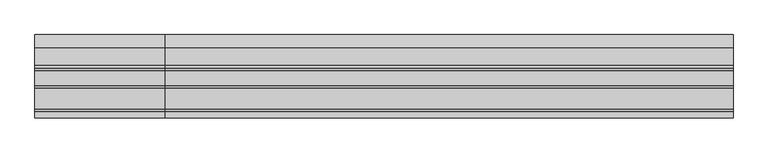
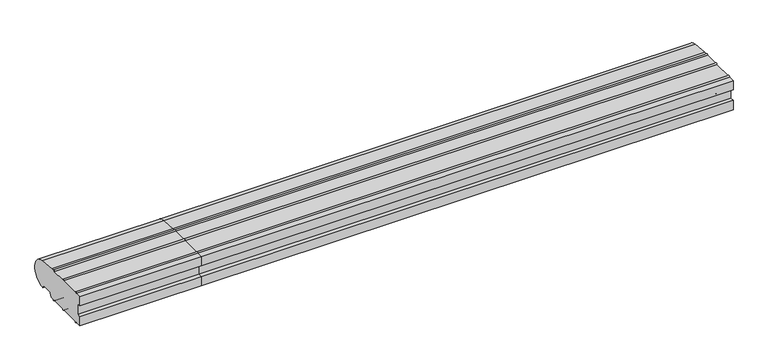
"""IFC4 building model written with IfcOpenShell, lengths in millimetres: proxy geometry."""

from ifc_helpers import new_model, si_unit, point, frame, frame_2d, origin, place, context, project, spatial, polyline, circle_curve, trimmed, segment, composite_curve, outline, extrude, source, transform, mapped, element, save


def generic_models_96288aed(model_context):
    return source(origin(), model_context, "Body", "SweptSolid", [
        extrude(outline(composite_curve([segment(trimmed(circle_curve(frame_2d((26.5732255, 3.5071443)), 1.0), [point((26.5981483, 2.5074549))], [point((25.7072001, 3.0071443))], False, "CARTESIAN"), True, "CONTINUOUS"), segment(polyline([(25.7072001, 3.0071443), (23.6905989, 6.5)]), True, "CONTINUOUS"), segment(trimmed(circle_curve(frame_2d((21.9585481, 5.5)), 2.0), [point((23.6905989, 6.5))], [point((21.9585481, 7.5))], True, "CARTESIAN"), True, "CONTINUOUS"), segment(polyline([(21.9585481, 7.5), (5.4848276, 7.5)]), True, "CONTINUOUS"), segment(trimmed(circle_curve(frame_2d((5.4848276, 5.5)), 2.0), [point((5.4848276, 7.5))], [point((3.7527767, 6.5))], True, "CARTESIAN"), True, "CONTINUOUS"), segment(polyline([(3.7527767, 6.5), (0.2886751, 0.5)]), True, "CONTINUOUS"), segment(trimmed(circle_curve(frame_2d((-0.5773503, 1.0)), 1.0), [point((0.2886751, 0.5))], [point((-0.5773503, 0.0))], False, "CARTESIAN"), True, "CONTINUOUS"), segment(polyline([(-0.5773503, 0.0), (-5.0, 0.0)]), True, "CONTINUOUS"), segment(trimmed(circle_curve(frame_2d((-6.75, 0.0)), 1.75), [point((-5.0, 0.0))], [point((-8.5, 0.0))], False, "CARTESIAN"), True, "CONTINUOUS"), segment(polyline([(-8.5, 0.0), (-33.0, 0.0)]), True, "CONTINUOUS"), segment(trimmed(circle_curve(frame_2d((-34.75, 0.0)), 1.75), [point((-33.0, 0.0))], [point((-36.5, 0.0))], False, "CARTESIAN"), True, "CONTINUOUS"), segment(polyline([(-36.5, 0.0), (-71.0, 0.0)]), True, "CONTINUOUS"), segment(trimmed(circle_curve(frame_2d((-72.75, 0.0)), 1.75), [point((-71.0, 0.0))], [point((-74.5, 0.0))], False, "CARTESIAN"), True, "CONTINUOUS"), segment(polyline([(-74.5, 0.0), (-85.0, 0.0), (-85.0, 16.5), (-78.0, 16.5), (-78.0, 36.5), (-85.0, 36.5), (-85.0, 52.8593609), (-74.5, 52.8593609)]), True, "CONTINUOUS"), segment(trimmed(circle_curve(frame_2d((-72.75, 52.8593609)), 1.75), [point((-74.5, 52.8593609))], [point((-71.0, 52.8593609))], False, "CARTESIAN"), True, "CONTINUOUS"), segment(polyline([(-71.0, 52.8593609), (-36.5, 52.8593609)]), True, "CONTINUOUS"), segment(trimmed(circle_curve(frame_2d((-34.75, 52.8593609)), 1.75), [point((-36.5, 52.8593609))], [point((-33.0, 52.8593609))], False, "CARTESIAN"), True, "CONTINUOUS"), segment(polyline([(-33.0, 52.8593609), (-8.5, 52.8593609)]), True, "CONTINUOUS"), segment(trimmed(circle_curve(frame_2d((-6.75, 52.8593609)), 1.75), [point((-8.5, 52.8593609))], [point((-5.0, 52.8593609))], False, "CARTESIAN"), True, "CONTINUOUS"), segment(polyline([(-5.0, 52.8593609), (0.0, 52.8593609), (28.0858073, 50.4091909)]), True, "CONTINUOUS"), segment(trimmed(circle_curve(frame_2d((26.0, 26.5)), 24.0), [point((28.0858073, 50.4091909))], [point((26.5981483, 2.5074549))], False, "CARTESIAN"), True, "CONTINUOUS")], self_intersect=False)), frame((-210.0, 0.0, 0.0), z_axis=(1.0, 0.0, 0.0), x_axis=(0.0, 1.0, 0.0)), (0.0, 0.0, 1.0), 210.0),
        extrude(outline(composite_curve([segment(trimmed(circle_curve(frame_2d((26.5732255, 3.5071443)), 1.0), [point((26.5981483, 2.5074549))], [point((25.7072001, 3.0071443))], False, "CARTESIAN"), True, "CONTINUOUS"), segment(polyline([(25.7072001, 3.0071443), (23.6905989, 6.5)]), True, "CONTINUOUS"), segment(trimmed(circle_curve(frame_2d((21.9585481, 5.5)), 2.0), [point((23.6905989, 6.5))], [point((21.9585481, 7.5))], True, "CARTESIAN"), True, "CONTINUOUS"), segment(polyline([(21.9585481, 7.5), (5.4848276, 7.5)]), True, "CONTINUOUS"), segment(trimmed(circle_curve(frame_2d((5.4848276, 5.5)), 2.0), [point((5.4848276, 7.5))], [point((3.7527767, 6.5))], True, "CARTESIAN"), True, "CONTINUOUS"), segment(polyline([(3.7527767, 6.5), (0.2886751, 0.5)]), True, "CONTINUOUS"), segment(trimmed(circle_curve(frame_2d((-0.5773503, 1.0)), 1.0), [point((0.2886751, 0.5))], [point((-0.5773503, 0.0))], False, "CARTESIAN"), True, "CONTINUOUS"), segment(polyline([(-0.5773503, 0.0), (-5.0, 0.0)]), True, "CONTINUOUS"), segment(trimmed(circle_curve(frame_2d((-6.75, 0.0)), 1.75), [point((-5.0, 0.0))], [point((-8.5, 0.0))], False, "CARTESIAN"), True, "CONTINUOUS"), segment(polyline([(-8.5, 0.0), (-33.0, 0.0)]), True, "CONTINUOUS"), segment(trimmed(circle_curve(frame_2d((-34.75, 0.0)), 1.75), [point((-33.0, 0.0))], [point((-36.5, 0.0))], False, "CARTESIAN"), True, "CONTINUOUS"), segment(polyline([(-36.5, 0.0), (-71.0, 0.0)]), True, "CONTINUOUS"), segment(trimmed(circle_curve(frame_2d((-72.75, 0.0)), 1.75), [point((-71.0, 0.0))], [point((-74.5, 0.0))], False, "CARTESIAN"), True, "CONTINUOUS"), segment(polyline([(-74.5, 0.0), (-85.0, 0.0), (-85.0, 16.5), (-78.0, 16.5), (-78.0, 36.5), (-85.0, 36.5), (-85.0, 52.8558627), (-74.5, 52.8558627)]), True, "CONTINUOUS"), segment(trimmed(circle_curve(frame_2d((-72.75, 52.8558627)), 1.75), [point((-74.5, 52.8558627))], [point((-71.0, 52.8558627))], False, "CARTESIAN"), True, "CONTINUOUS"), segment(polyline([(-71.0, 52.8558627), (-36.5, 52.8558627)]), True, "CONTINUOUS"), segment(trimmed(circle_curve(frame_2d((-34.75, 52.8558627)), 1.75), [point((-36.5, 52.8558627))], [point((-33.0, 52.8558627))], False, "CARTESIAN"), True, "CONTINUOUS"), segment(polyline([(-33.0, 52.8558627), (-8.5, 52.8558627)]), True, "CONTINUOUS"), segment(trimmed(circle_curve(frame_2d((-6.75, 52.8558627)), 1.75), [point((-8.5, 52.8558627))], [point((-5.0, 52.8558627))], False, "CARTESIAN"), True, "CONTINUOUS"), segment(polyline([(-5.0, 52.8558627), (0.0400993, 52.8558627), (28.0858073, 50.4091909)]), True, "CONTINUOUS"), segment(trimmed(circle_curve(frame_2d((26.0, 26.5)), 24.0), [point((28.0858073, 50.4091909))], [point((26.5981483, 2.5074549))], False, "CARTESIAN"), True, "CONTINUOUS")], self_intersect=False), holes=[composite_curve([segment(trimmed(circle_curve(frame_2d((-13.0, 23.4166667)), 9.0833333), [point((-8.0, 31.0))], [point((-18.0, 31.0))], True, "CARTESIAN"), True, "CONTINUOUS"), segment(polyline([(-18.0, 31.0), (-18.0, 22.0)]), True, "CONTINUOUS"), segment(trimmed(circle_curve(frame_2d((-13.0, 29.5833333)), 9.0833333), [point((-18.0, 22.0))], [point((-8.0, 22.0))], True, "CARTESIAN"), True, "CONTINUOUS"), segment(polyline([(-8.0, 22.0), (-8.0, 31.0)]), True, "CONTINUOUS")], self_intersect=False), composite_curve([segment(polyline([(-29.0, 22.0), (-29.0, 31.0)]), True, "CONTINUOUS"), segment(trimmed(circle_curve(frame_2d((-34.0, 23.4166667)), 9.0833333), [point((-29.0, 31.0))], [point((-39.0, 31.0))], True, "CARTESIAN"), True, "CONTINUOUS"), segment(polyline([(-39.0, 31.0), (-39.0, 22.0)]), True, "CONTINUOUS"), segment(trimmed(circle_curve(frame_2d((-34.0, 29.5833333)), 9.0833333), [point((-39.0, 22.0))], [point((-29.0, 22.0))], True, "CARTESIAN"), True, "CONTINUOUS")], self_intersect=False), composite_curve([segment(polyline([(-50.0, 22.0), (-50.0, 31.0)]), True, "CONTINUOUS"), segment(trimmed(circle_curve(frame_2d((-55.0, 23.4166667)), 9.0833333), [point((-50.0, 31.0))], [point((-60.0, 31.0))], True, "CARTESIAN"), True, "CONTINUOUS"), segment(polyline([(-60.0, 31.0), (-60.0, 22.0)]), True, "CONTINUOUS"), segment(trimmed(circle_curve(frame_2d((-55.0, 29.5833333)), 9.0833333), [point((-60.0, 22.0))], [point((-50.0, 22.0))], True, "CARTESIAN"), True, "CONTINUOUS")], self_intersect=False)]), frame((0.0, 0.0, 0.0), z_axis=(1.0, 0.0, 0.0), x_axis=(0.0, 1.0, 0.0)), (0.0, 0.0, 1.0), 920.0),
    ])


if __name__ == "__main__":
    model = new_model("IFC4")
    model_context = context("Model", 3, world=origin())
    ifc_project = project(units=[si_unit("LENGTHUNIT", "METRE", prefix="MILLI")], contexts=[model_context])
    site = spatial("IfcSite", under=ifc_project)
    building = spatial("IfcBuilding", under=site)
    placement = place(None, origin())
    generic_models_shape = generic_models_96288aed(model_context)
    element("IfcBuildingElementProxy", 1, Name="Generic Models", at=placement, inside=building, context=model_context, shape_type="MappedRepresentation", body=[
        mapped(generic_models_shape, transform((0.0, 0.0, 0.0), x_axis=(1.0, 0.0, 0.0), y_axis=(0.0, 1.0, 0.0), z_axis=(0.0, 0.0, 1.0))),
    ])
    save(model, "model.ifc")
